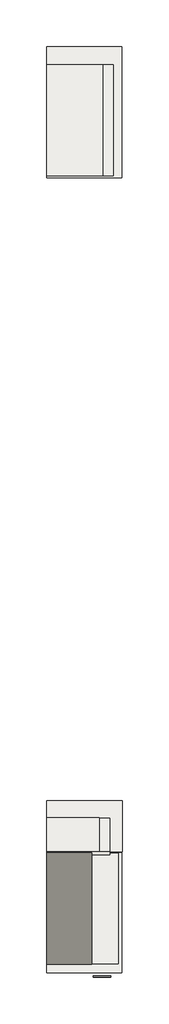
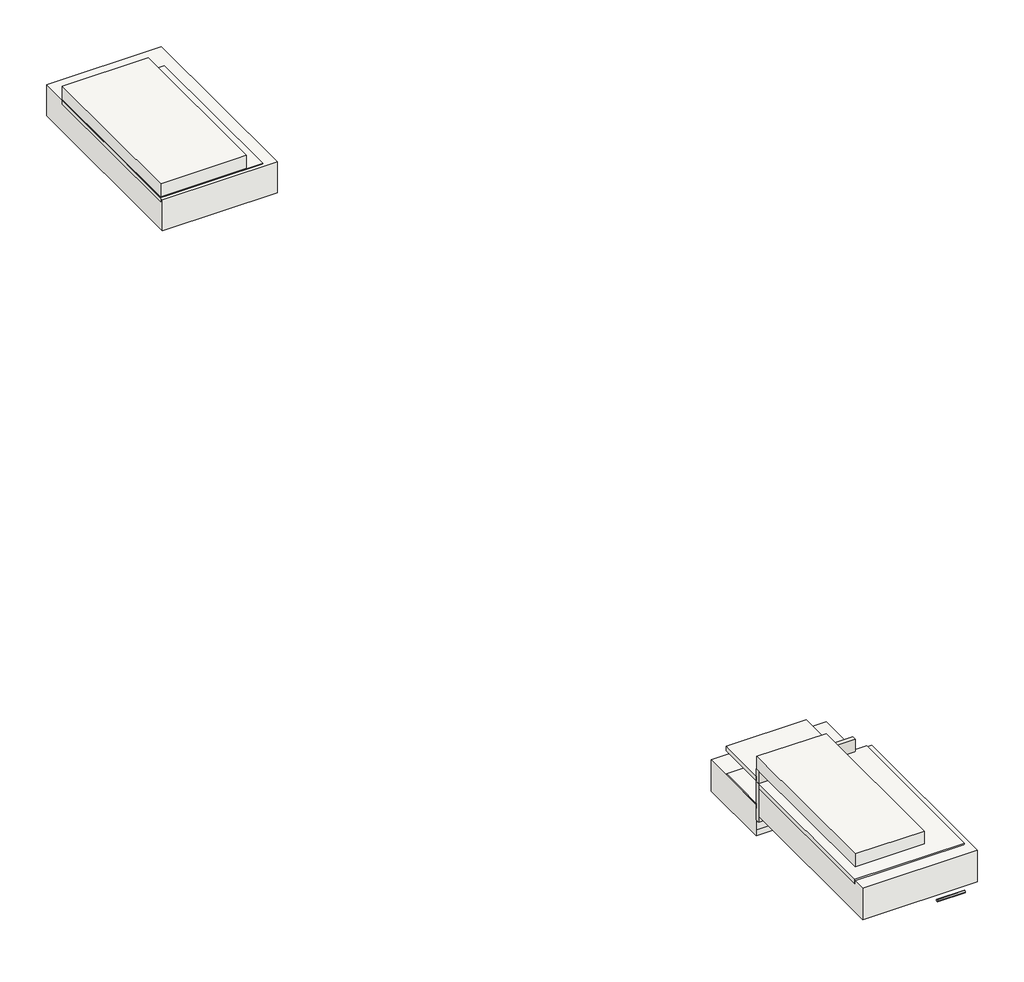
# One storey: 5 slabs, 4 coverings, 1 pipe segment, 1 wall.
"""IFC4 building model written with IfcOpenShell, lengths in millimetres."""

import ifcopenshell
import ifcopenshell.guid

model = None  # the IFC model being written
_history = None  # IfcOwnerHistory: only IFC2X3 demands one
_inside = {}  # id of a spatial element -> (the spatial element, [elements in it])
_under = {}  # id of a project, library or spatial element -> (it, [spatial elements below it])
_declared = {}  # id of a project -> (the project, [libraries it declares])
_typed = {}  # id of a type object -> (the type object, [elements of that type])
_made_of = {}  # id of a material, layer set ... -> (it, [elements and type objects made of it])


def new_model(schema):
    """Start an empty IFC model of exactly this schema.

    Asked for "IFC4X3", IfcOpenShell would pick the latest addendum, in which some entities
    have other attributes; the version numbers below select the first issue.
    IFC2X3 requires an IfcOwnerHistory on every rooted entity: one is made here for all.
    """
    global model, _history
    if schema == "IFC4X3":
        model = ifcopenshell.file(schema_version=(4, 3, 0, 0))
    else:
        model = ifcopenshell.file(schema=schema)
    _inside.clear()
    _under.clear()
    _declared.clear()
    _typed.clear()
    _made_of.clear()
    _history = None
    if model.schema == "IFC2X3":
        org = make("IfcOrganization", Name="unknown")
        user = make(
            "IfcPersonAndOrganization",
            ThePerson=make("IfcPerson", FamilyName="unknown"),
            TheOrganization=org,
        )
        app = make(
            "IfcApplication",
            ApplicationDeveloper=org,
            Version="unknown",
            ApplicationFullName="unknown",
            ApplicationIdentifier="unknown",
        )
        _history = make(
            "IfcOwnerHistory",
            OwningUser=user,
            OwningApplication=app,
            ChangeAction="ADDED",
            CreationDate=0,
        )
    return model


def make(cls, **values):
    """One entity of the class cls with the attributes given. An attribute that is None is left unset."""
    return model.create_entity(
        cls, **{name: value for name, value in values.items() if value is not None}
    )


def rooted(cls, **values):
    """An entity with a GlobalId (a new one), such as an element, a storey or a relation."""
    return make(cls, GlobalId=ifcopenshell.guid.new(), OwnerHistory=_history, **values)


def si_unit(unit_type, name, prefix=None):
    """IfcSIUnit, for example si_unit("LENGTHUNIT", "METRE", prefix="MILLI")."""
    return make("IfcSIUnit", UnitType=unit_type, Prefix=prefix, Name=name)


def assignment(units):
    """IfcUnitAssignment: the units of a project."""
    return None if units is None else make("IfcUnitAssignment", Units=units)


def point(xyz):
    """IfcCartesianPoint."""
    return None if xyz is None else make("IfcCartesianPoint", Coordinates=xyz)


def direction(xyz):
    """IfcDirection."""
    return None if xyz is None else make("IfcDirection", DirectionRatios=xyz)


def frame(location, z_axis=None, x_axis=None):
    """IfcAxis2Placement3D, a coordinate frame: its origin and axes. An axis left out is left unset."""
    return make(
        "IfcAxis2Placement3D",
        Location=point(location),
        Axis=direction(z_axis),
        RefDirection=direction(x_axis),
    )


def frame_2d(location, x_axis=None):
    """IfcAxis2Placement2D, a coordinate frame in the plane: its origin and x axis."""
    return make(
        "IfcAxis2Placement2D", Location=point(location), RefDirection=direction(x_axis)
    )


def origin():
    """The frame at (0, 0, 0) with its axes left unset."""
    return frame((0.0, 0.0, 0.0))


def place(relative_to, where):
    """IfcLocalPlacement: puts the frame where relative to a parent placement (None: the world)."""
    return make(
        "IfcLocalPlacement", PlacementRelTo=relative_to, RelativePlacement=where
    )


def context(
    kind, dimensions, precision=None, world=None, true_north=None, identifier=None
):
    """IfcGeometricRepresentationContext, for example the 3D "Model" context."""
    return make(
        "IfcGeometricRepresentationContext",
        ContextIdentifier=identifier,
        ContextType=kind,
        CoordinateSpaceDimension=dimensions,
        Precision=precision,
        WorldCoordinateSystem=world,
        TrueNorth=true_north,
    )


def project(units=None, contexts=None):
    """IfcProject with its units and contexts."""
    return rooted(
        "IfcProject",
        Name="project",
        RepresentationContexts=contexts,
        UnitsInContext=assignment(units),
    )


def spatial(cls, under=None, at=None, **own):
    """A site, building, storey or space (cls), placed at a placement, below another one or the project."""
    s = rooted(cls, ObjectPlacement=at, **own)
    if under is not None:
        _under.setdefault(under.id(), (under, []))[1].append(s)
    return s


def polyline(points):
    """IfcPolyline through the points."""
    return make("IfcPolyline", Points=[point(p) for p in points])


def circle_curve(where, radius):
    """IfcCircle in the frame where."""
    return make("IfcCircle", Position=where, Radius=radius)


def trimmed(basis, trim1, trim2, sense, master):
    """IfcTrimmedCurve: the piece of a basis curve between two trims."""
    return make(
        "IfcTrimmedCurve",
        BasisCurve=basis,
        Trim1=trim1,
        Trim2=trim2,
        SenseAgreement=sense,
        MasterRepresentation=master,
    )


def segment(curve, same_sense, transition):
    """IfcCompositeCurveSegment."""
    return make(
        "IfcCompositeCurveSegment",
        Transition=transition,
        SameSense=same_sense,
        ParentCurve=curve,
    )


def composite_curve(segments, self_intersect=None):
    """IfcCompositeCurve: segments joined end to end."""
    return make("IfcCompositeCurve", Segments=segments, SelfIntersect=self_intersect)


def outline(outer, holes=None, kind="AREA"):
    """IfcArbitraryClosedProfileDef: a profile drawn as a closed curve; with holes, ...WithVoids."""
    if holes is None:
        return make("IfcArbitraryClosedProfileDef", ProfileType=kind, OuterCurve=outer)
    return make(
        "IfcArbitraryProfileDefWithVoids",
        ProfileType=kind,
        OuterCurve=outer,
        InnerCurves=holes,
    )


def extrude(swept, where, along, depth):
    """IfcExtrudedAreaSolid: the profile swept, set in the frame where, extruded along a direction by depth."""
    return make(
        "IfcExtrudedAreaSolid",
        SweptArea=swept,
        Position=where,
        ExtrudedDirection=direction(along),
        Depth=depth,
    )


def shape(context_of_items, identifier, shape_type, items):
    """IfcShapeRepresentation: the items that make up one representation, for example the "Body"."""
    return make(
        "IfcShapeRepresentation",
        ContextOfItems=context_of_items,
        RepresentationIdentifier=identifier,
        RepresentationType=shape_type,
        Items=items,
    )


def made_of(thing, what):
    """Note that an element or type object is made of a material, layer set ...; save() writes the relation."""
    if what is not None:
        _made_of.setdefault(what.id(), (what, []))[1].append(thing)
    return thing


def element(
    cls,
    number,
    at=None,
    inside=None,
    cuts=None,
    type_object=None,
    material=None,
    context=None,
    identifier="Body",
    shape_type=None,
    held_by="IfcProductDefinitionShape",
    body=None,
    shapes=None,
    **own,
):
    """One element of the class cls, such as IfcWall. Its Tag is "e" and its number.

    at: its placement. inside: the storey or other place that contains it. cuts: it is an
    opening in that element (IfcRelVoidsElement). A single representation is given by context,
    identifier, shape_type and body (its items); several are given by shapes. held_by: the class
    of the entity that holds the representations. save() writes the other relations.
    """
    e = rooted(cls, Tag="e%d" % number, ObjectPlacement=at, **own)
    if body is not None:
        shapes = [shape(context, identifier, shape_type, body)]
    if shapes is not None:
        e.Representation = make(held_by, Representations=shapes)
    if inside is not None:
        _inside.setdefault(inside.id(), (inside, []))[1].append(e)
    if cuts is not None:
        rooted(
            "IfcRelVoidsElement", RelatingBuildingElement=cuts, RelatedOpeningElement=e
        )
    if type_object is not None:
        _typed.setdefault(type_object.id(), (type_object, []))[1].append(e)
    return made_of(e, material)


def aggregate(whole, parts):
    """IfcRelAggregates: a whole, such as a stair, and the parts it consists of."""
    return rooted("IfcRelAggregates", RelatingObject=whole, RelatedObjects=parts)


def save(model, path):
    """Write the relations noted so far, then the file.

    IfcRelAggregates (storeys below a building ...), IfcRelContainedInSpatialStructure (elements
    in a storey), IfcRelDefinesByType, IfcRelAssociatesMaterial and IfcRelDeclares: one each for
    every whole, place, type object, material and project.
    """
    for whole, parts in _under.values():
        aggregate(whole, parts)
    for where, things in _inside.values():
        rooted(
            "IfcRelContainedInSpatialStructure",
            RelatedElements=things,
            RelatingStructure=where,
        )
    for kind, things in _typed.values():
        rooted("IfcRelDefinesByType", RelatedObjects=things, RelatingType=kind)
    for what, things in _made_of.values():
        rooted("IfcRelAssociatesMaterial", RelatedObjects=things, RelatingMaterial=what)
    for by, libraries in _declared.values():
        rooted("IfcRelDeclares", RelatingContext=by, RelatedDefinitions=libraries)
    model.write(path)


model = new_model("IFC4")

# Units and contexts
model_context = context("Model", 3, world=origin())
ifc_project = project(units=[si_unit("LENGTHUNIT", "METRE", prefix="MILLI")], contexts=[model_context])

# Site, building, storey
site = spatial("IfcSite", under=ifc_project)
building = spatial("IfcBuilding", under=site)
storey = spatial("IfcBuildingStorey", under=building, Elevation=-300.0)

# Coverings
placement = place(None, origin())
element("IfcCovering", 1, at=placement, inside=storey, context=model_context, shape_type="SweptSolid", body=[
    extrude(outline(polyline([(-22375.7654506, 1754.7450289), (-22375.7654506, -111.0279521), (-23495.7654506, -111.0279521), (-23495.7654506, 1754.7450289), (-22375.7654506, 1754.7450289)])), frame((0.0, 0.0, 490.8597495), z_axis=(0.0, 0.0, 1.0), x_axis=(1.0, 0.0, 0.0)), (0.0, 0.0, 1.0), 52.0),
])
element("IfcCovering", 2, at=placement, inside=storey, context=model_context, shape_type="SweptSolid", body=[
    extrude(outline(polyline([(-22295.7654506, -11459.4819075), (-22295.7654506, -13317.8045571), (-23495.7654506, -13317.8045571), (-23495.7654506, -11459.4819075), (-22295.7654506, -11459.4819075)])), frame((0.0, 0.0, 581.2434165), z_axis=(0.0, 0.0, 1.0), x_axis=(1.0, 0.0, 0.0)), (0.0, 0.0, 1.0), 52.0),
])
element("IfcCovering", 3, at=placement, inside=storey, context=model_context, shape_type="SweptSolid", body=[
    extrude(outline(polyline([(-22615.7654506, -10871.448627), (-22615.7654506, -11442.8742285), (-23495.7654506, -11442.8742285), (-23495.7654506, -10871.448627), (-22615.7654506, -10871.448627)])), frame((0.0, 0.0, 640.0), z_axis=(0.0, 0.0, 1.0), x_axis=(1.0, 0.0, 0.0)), (0.0, 0.0, 1.0), 52.0),
])
element("IfcCovering", 4, at=placement, inside=storey, context=model_context, shape_type="SweptSolid", body=[
    extrude(outline(polyline([(-22435.7654506, -10877.5808547), (-22435.7654506, -11443.5520856), (-23495.7654506, -11443.5520856), (-23495.7654506, -10877.5808547), (-22435.7654506, -10877.5808547)])), frame((0.0, 0.0, 320.0), z_axis=(0.0, 0.0, 1.0), x_axis=(1.0, 0.0, 0.0)), (0.0, 0.0, 1.0), 57.0),
])

# Pipe segment
element("IfcPipeSegment", 5, at=placement, inside=storey, context=model_context, shape_type="SweptSolid", body=[
    extrude(outline(composite_curve([segment(trimmed(circle_curve(frame_2d((-13531.1956396, 240.4836339)), 13.335), [point((-13517.8606396, 240.4836339))], [point((-13531.1956396, 227.1486339))], False, "CARTESIAN"), True, "CONTINUOUS"), segment(trimmed(circle_curve(frame_2d((-13531.1956396, 240.4836339)), 13.335), [point((-13531.1956396, 227.1486339))], [point((-13544.5306396, 240.4836339))], False, "CARTESIAN"), True, "CONTINUOUS"), segment(trimmed(circle_curve(frame_2d((-13531.1956396, 240.4836339)), 13.335), [point((-13544.5306396, 240.4836339))], [point((-13531.1956396, 253.8186339))], False, "CARTESIAN"), True, "CONTINUOUS"), segment(trimmed(circle_curve(frame_2d((-13531.1956396, 240.4836339)), 13.335), [point((-13531.1956396, 253.8186339))], [point((-13517.8606396, 240.4836339))], False, "CARTESIAN"), True, "CONTINUOUS")], self_intersect=False)), frame((-22716.1686937, 0.0, 0.0), z_axis=(1.0, 0.0, 0.0), x_axis=(0.0, 1.0, 0.0)), (0.0, 0.0, 1.0), 300.0),
])

# Slabs
element("IfcSlab", 6, at=placement, inside=storey, context=model_context, shape_type="SweptSolid", body=[
    extrude(outline(polyline([(-23495.7654506, 1753.7488775), (-22555.7654506, 1753.7488775), (-22555.7654506, -112.4546842), (-23495.7654506, -112.4546842), (-23495.7654506, 1753.7488775)])), frame((0.0, 0.0, 550.0), z_axis=(0.0, 0.0, 1.0), x_axis=(1.0, 0.0, 0.0)), (0.0, 0.0, 1.0), 150.0),
])
element("IfcSlab", 7, at=placement, inside=storey, context=model_context, shape_type="SweptSolid", body=[
    extrude(outline(polyline([(-23495.7654506, 2056.7660861), (-22235.7654506, 2056.7660861), (-22235.7654506, -146.1745824), (-23495.7654506, -146.1745824), (-23495.7654506, 2056.7660861)])), frame((0.0, 0.0, 173.0), z_axis=(0.0, 0.0, 1.0), x_axis=(1.0, 0.0, 0.0)), (0.0, 0.0, 1.0), 362.0),
])
element("IfcSlab", 8, at=placement, inside=storey, context=model_context, shape_type="SweptSolid", body=[
    extrude(outline(polyline([(-23495.7654506, -11452.9599615), (-22735.7654506, -11452.9599615), (-22735.7654506, -13319.1635232), (-23495.7654506, -13319.1635232), (-23495.7654506, -11452.9599615)])), frame((0.0, 0.0, 777.0), z_axis=(0.0, 0.0, 1.0), x_axis=(1.0, 0.0, 0.0)), (0.0, 0.0, 1.0), 150.0),
])
element("IfcSlab", 9, at=placement, inside=storey, context=model_context, shape_type="SweptSolid", body=[
    extrude(outline(polyline([(-13464.8861862, 253.0), (-13464.8861862, 615.0), (-11454.8712444, 615.0), (-11449.8861862, 434.0), (-11449.8861862, 72.0), (-11454.8712444, 253.0), (-13464.8861862, 253.0)])), frame((-23495.7654506, 0.0, 0.0), z_axis=(1.0, 0.0, 0.0), x_axis=(0.0, 1.0, 0.0)), (0.0, 0.0, 1.0), 1260.0),
])
element("IfcSlab", 10, at=placement, inside=storey, context=model_context, shape_type="SweptSolid", body=[
    extrude(outline(polyline([(-23495.7654506, -10581.8752804), (-22230.7654506, -10581.8752804), (-22230.7654506, -11438.3015705), (-23495.7654506, -11438.3015705), (-23495.7654506, -10581.8752804)])), frame((0.0, 0.0, -2.0), z_axis=(0.0, 0.0, 1.0), x_axis=(1.0, 0.0, 0.0)), (0.0, 0.0, 1.0), 362.0),
])

# Wall
element("IfcWall", 11, at=placement, inside=storey, context=model_context, shape_type="SweptSolid", body=[
    extrude(outline(polyline([(-23495.7654506, -11437.5808547), (-22435.7654506, -11437.5808547), (-22435.7654506, -11487.5808547), (-23495.7654506, -11487.5808547), (-23495.7654506, -11437.5808547)])), frame((0.0, 0.0, 184.9750179), z_axis=(0.0, 0.0, 1.0), x_axis=(1.0, 0.0, 0.0)), (0.0, 0.0, 1.0), 590.0249821),
])

save(model, "model.ifc")
